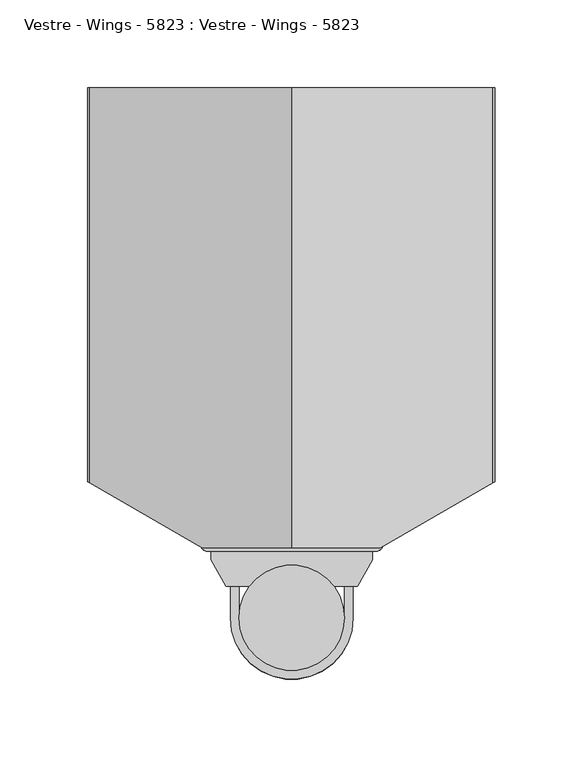
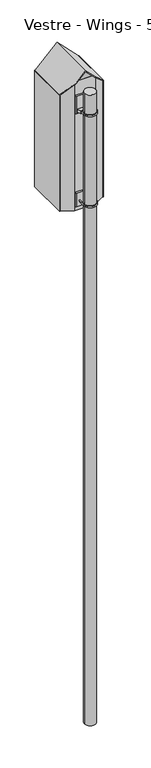
"""IFC4 building model written with IfcOpenShell, lengths in millimetres: furniture geometry, Vestre - Wings - 5823 : Vestre - Wings - 5823."""

from ifc_helpers import new_model, si_unit, point, frame, frame_2d, origin, origin_2d, place, context, project, spatial, polyline, circle_curve, ellipse_curve, trimmed, segment, composite_curve, outline, extrude, faceted_brep, source, transform, mapped, element, save
from ifc_brep_helpers import plane_surface, cylinder_surface, advanced_brep


def vestre_wings_5823_vestre_wings_5823_ff91b567(model_context):
    return source(origin(), model_context, "Body", "SolidModel", [
        extrude(outline(composite_curve([segment(polyline([(30.0, 0.0), (30.0, 37.9679492), (35.0, 37.9679492), (35.0, 0.0)]), True, "CONTINUOUS"), segment(trimmed(circle_curve(origin_2d(), 35.0), [point((35.0, 0.0))], [point((-35.0, 0.0))], False, "CARTESIAN"), True, "CONTINUOUS"), segment(polyline([(-35.0, 0.0), (-35.0, 37.9679492), (-30.0, 37.9679492), (-30.0, 0.0)]), True, "CONTINUOUS"), segment(trimmed(circle_curve(origin_2d(), 30.0), [point((-30.0, 0.0))], [point((30.0, 0.0))], True, "CARTESIAN"), True, "CONTINUOUS")], self_intersect=False)), frame((0.0, 0.0, 2378.1092537), z_axis=(0.0, 0.0, 1.0), x_axis=(1.0, 0.0, 0.0)), (0.0, 0.0, 1.0), 7.9898167),
        extrude(outline(composite_curve([segment(polyline([(48.0, 37.9679492), (-48.0, 37.9679492)]), True, "CONTINUOUS"), segment(trimmed(circle_curve(frame_2d((-48.0, 41.9679492)), 4.0), [point((-48.0, 37.9679492))], [point((-52.0, 41.9679492))], False, "CARTESIAN"), True, "CONTINUOUS"), segment(polyline([(-52.0, 41.9679492), (-52.0, 47.0), (52.0, 47.0), (52.0, 41.9679492)]), True, "CONTINUOUS"), segment(trimmed(circle_curve(frame_2d((48.0, 41.9679492)), 4.0), [point((52.0, 41.9679492))], [point((48.0, 37.9679492))], False, "CARTESIAN"), True, "CONTINUOUS")], self_intersect=False)), frame((0.0, 0.0, 2352.6096834), z_axis=(0.0, 0.0, 1.0), x_axis=(1.0, 0.0, 0.0)), (0.0, 0.0, 1.0), 77.0),
        extrude(outline(composite_curve([segment(polyline([(-37.4575131, 17.9679492), (-46.0, 32.9679492), (-46.0, 37.9679492), (46.0, 37.9679492), (46.0, 32.9679492), (37.4575131, 17.9679492), (24.0240047, 17.9679492)]), True, "CONTINUOUS"), segment(trimmed(circle_curve(origin_2d(), 30.0), [point((24.0240047, 17.9679492))], [point((-24.0240047, 17.9679492))], True, "CARTESIAN"), True, "CONTINUOUS"), segment(polyline([(-24.0240047, 17.9679492), (-37.4575131, 17.9679492)]), True, "CONTINUOUS")], self_intersect=False)), frame((0.0, 0.0, 2879.1096834), z_axis=(0.0, 0.0, 1.0), x_axis=(1.0, 0.0, 0.0)), (0.0, 0.0, 1.0), 16.0),
        extrude(outline(composite_curve([segment(polyline([(30.0, 0.0), (30.0, 37.9679492), (35.0, 37.9679492), (35.0, 0.0)]), True, "CONTINUOUS"), segment(trimmed(circle_curve(origin_2d(), 35.0), [point((35.0, 0.0))], [point((-35.0, 0.0))], False, "CARTESIAN"), True, "CONTINUOUS"), segment(polyline([(-35.0, 0.0), (-35.0, 37.9679492), (-30.0, 37.9679492), (-30.0, 0.0)]), True, "CONTINUOUS"), segment(trimmed(circle_curve(origin_2d(), 30.0), [point((-30.0, 0.0))], [point((30.0, 0.0))], True, "CARTESIAN"), True, "CONTINUOUS")], self_intersect=False)), frame((0.0, 0.0, 2883.1092537), z_axis=(0.0, 0.0, 1.0), x_axis=(1.0, 0.0, 0.0)), (0.0, 0.0, 1.0), 7.9898167),
        extrude(outline(composite_curve([segment(polyline([(48.0, 37.9679492), (-48.0, 37.9679492)]), True, "CONTINUOUS"), segment(trimmed(circle_curve(frame_2d((-48.0, 41.9679492)), 4.0), [point((-48.0, 37.9679492))], [point((-52.0, 41.9679492))], False, "CARTESIAN"), True, "CONTINUOUS"), segment(polyline([(-52.0, 41.9679492), (-52.0, 47.0), (52.0, 47.0), (52.0, 41.9679492)]), True, "CONTINUOUS"), segment(trimmed(circle_curve(frame_2d((48.0, 41.9679492)), 4.0), [point((52.0, 41.9679492))], [point((48.0, 37.9679492))], False, "CARTESIAN"), True, "CONTINUOUS")], self_intersect=False)), frame((0.0, 0.0, 2870.6096834), z_axis=(0.0, 0.0, 1.0), x_axis=(1.0, 0.0, 0.0)), (0.0, 0.0, 1.0), 96.5005892),
        advanced_brep(
        [(-0.2473575, 40.0, 3089.8797257), (-51.1269898, 40.0, 3039.0000934), (-51.1269898, 40.0, 3034.7574528), (-0.2473575, 40.0, 3085.637085), (50.6322747, 40.0, 3034.7574528), (50.6322747, 40.0, 3039.0000934), (-0.2473575, 302.0, 3089.8797257), (114.7181546, 302.0, 2974.9142136), (115.8897275, 302.0, 2972.0857864), (115.8897275, 302.0, 2327.5), (112.8897275, 302.0, 2327.5), (112.8897275, 302.0, 2972.5), (-0.2473575, 302.0, 3085.637085), (-113.3844425, 302.0, 2972.5), (-113.3844425, 302.0, 2327.5), (-116.3844425, 302.0, 2327.5), (-116.3844425, 302.0, 2972.0857864), (-115.2128696, 302.0, 2974.9142136), (-115.2128696, 77.0, 2974.9142136), (-116.3844425, 77.6764079, 2972.0857864), (-116.3844425, 77.6764079, 2327.5), (-113.3844425, 75.9443571, 2327.5), (-113.3844425, 75.9443571, 2972.5), (112.8897275, 75.9443571, 2972.5), (112.8897275, 75.9443571, 2327.5), (115.8897275, 77.6764079, 2327.5), (115.8897275, 77.6764079, 2972.0857864), (114.7181546, 77.0, 2974.9142136)],
        [
            (0, 1),
            (1, 2),
            (2, 3),
            (3, 4),
            (4, 5),
            (5, 0),
            (6, 7),
            (7, 8, circle_curve(frame((111.8897275, 302.0, 2972.0857864), z_axis=(0.0, 1.0, 0.0), x_axis=(-1.0, 0.0, 0.0)), 4.0)),
            (8, 9),
            (9, 10),
            (10, 11),
            (11, 12),
            (12, 13),
            (13, 14),
            (14, 15),
            (15, 16),
            (16, 17, circle_curve(frame((-112.3844425, 302.0, 2972.0857864), z_axis=(0.0, 1.0, 0.0), x_axis=(-1.0, 0.0, 0.0)), 4.0)),
            (17, 6),
            (17, 18),
            (18, 1),
            (0, 6),
            (16, 19),
            (19, 18, ellipse_curve(frame((-112.3844425, 75.3670068, 2972.0857864), z_axis=(0.500000000000003, 0.866025403784437, 0.0), x_axis=(0.8660254037844373, -0.5000000000000027, 0.0)), 4.6188022, 4.0)),
            (15, 20),
            (20, 19),
            (14, 21),
            (21, 20),
            (13, 22),
            (22, 21),
            (12, 3),
            (2, 22),
            (11, 23),
            (23, 4),
            (10, 24),
            (24, 23),
            (9, 25),
            (25, 24),
            (8, 26),
            (26, 25),
            (7, 27),
            (27, 26, ellipse_curve(frame((111.8897275, 75.3670068, 2972.0857864), z_axis=(-0.5000000000000038, 0.8660254037844366, 0.0), x_axis=(-0.8660254037844368, -0.5000000000000034, 0.0)), 4.6188022, 4.0)),
            (5, 27),
        ],
        [
            plane_surface(frame((-115.2128696, 40.0, 2974.9142136), z_axis=(0.0, -1.0, 0.0), x_axis=(-0.7071067811865452, 0.0, -0.7071067811865499))),
            plane_surface(frame((-115.2128696, 302.0, 2974.9142136), z_axis=(0.0, 1.0, 0.0), x_axis=(0.7071067811865452, 0.0, 0.7071067811865499))),
            plane_surface(frame((-0.2473575, 40.0, 3089.8797257), z_axis=(-0.7071067811865499, 0.0, 0.7071067811865452), x_axis=(0.0, 1.0, 0.0))),
            cylinder_surface(frame((-112.3844425, 302.0, 2972.0857864), z_axis=(0.0, -1.0, 0.0), x_axis=(-1.0, 0.0, 0.0)), 4.0),
            plane_surface(frame((-116.3844425, 40.0, 2972.0857864), z_axis=(-1.0, 0.0, 0.0), x_axis=(0.0, 1.0, 0.0))),
            plane_surface(frame((-116.3844425, 40.0, 2327.5), z_axis=(0.0, 0.0, -1.0), x_axis=(0.0, 1.0, 0.0))),
            plane_surface(frame((-113.3844425, 40.0, 2327.5), z_axis=(1.0, 0.0, 0.0), x_axis=(0.0, 1.0, 0.0))),
            plane_surface(frame((-113.3844425, 40.0, 2972.5), z_axis=(0.7071067811865509, 0.0, -0.7071067811865441), x_axis=(0.0, 1.0, 0.0))),
            plane_surface(frame((-0.2473575, 40.0, 3085.637085), z_axis=(-0.7071067811865498, 0.0, -0.7071067811865455), x_axis=(0.0, 1.0, 0.0))),
            plane_surface(frame((112.8897275, 40.0, 2972.5), z_axis=(-1.0, 0.0, 0.0), x_axis=(0.0, 1.0, 0.0))),
            plane_surface(frame((112.8897275, 40.0, 2327.5), z_axis=(0.0, 0.0, -1.0), x_axis=(0.0, 1.0, 0.0))),
            plane_surface(frame((115.8897275, 40.0, 2327.5), z_axis=(1.0, 0.0, 0.0), x_axis=(0.0, 1.0, 0.0))),
            cylinder_surface(frame((111.8897275, 302.0, 2972.0857864), z_axis=(0.0, -1.0, 0.0), x_axis=(-1.0, 0.0, 0.0)), 4.0),
            plane_surface(frame((114.7181546, 40.0, 2974.9142136), z_axis=(0.7071067811865503, 0.0, 0.7071067811865448), x_axis=(0.0, 1.0, 0.0))),
            plane_surface(frame((-51.1269898, 40.0, 3124.29217), z_axis=(-0.500000000000003, -0.866025403784437, 0.0), x_axis=(0.0, 0.0, -1.0))),
            plane_surface(frame((118.7797193, 79.3449455, 3124.29217), z_axis=(0.5000000000000038, -0.8660254037844366, 0.0), x_axis=(0.0, 0.0, -1.0))),
        ],
        [
            (0, [[1, 2, 3, 4, 5, 6]]),
            (1, [[7, 8, 9, 10, 11, 12, 13, 14, 15, 16, 17, 18]]),
            (2, [[-18, 19, 20, -1, 21]]),
            (3, [[-17, 22, 23, -19]]),
            (4, [[-16, 24, 25, -22]]),
            (5, [[-15, 26, 27, -24]]),
            (6, [[-14, 28, 29, -26]]),
            (7, [[-13, 30, -3, 31, -28]]),
            (8, [[-12, 32, 33, -4, -30]]),
            (9, [[-11, 34, 35, -32]]),
            (10, [[-10, 36, 37, -34]]),
            (11, [[-9, 38, 39, -36]]),
            (12, [[-8, 40, 41, -38]]),
            (13, [[-7, -21, -6, 42, -40]]),
            (14, [[-2, -20, -23, -25, -27, -29, -31]]),
            (15, [[-5, -33, -35, -37, -39, -41, -42]]),
        ],
    ),
        faceted_brep([(-43.3844425, 47.0, 3042.5), (42.8897275, 47.0, 3042.5), (42.8897275, 50.0, 3042.5), (-43.3844425, 50.0, 3042.5), (-113.3844425, 80.8215223, 2327.5), (-113.3844425, 100.2679492, 2327.5), (-109.8897275, 100.2679492, 2327.5), (-109.8897275, 82.2679492, 2327.5), (-54.0, 50.0, 2327.5), (54.0, 50.0, 2327.5), (109.8897275, 82.2679492, 2327.5), (109.8897275, 100.2679492, 2327.5), (112.8897275, 100.2679492, 2327.5), (112.8897275, 80.5358984, 2327.5), (54.8038476, 47.0, 2327.5), (-54.8038476, 47.0, 2327.5), (-54.8038476, 47.0, 3031.0805949), (-113.3844425, 80.8215223, 2972.5), (54.8038476, 47.0, 3030.5858799), (112.8897275, 80.5358984, 2972.5), (112.8897275, 100.2679492, 2972.5), (109.8897275, 100.2679492, 2975.5), (109.8897275, 82.2679492, 2975.5), (54.0, 50.0, 3031.3897275), (-54.0, 50.0, 3031.8844425), (-109.8897275, 82.2679492, 2975.9947151), (-109.8897275, 100.2679492, 2975.9947151), (-113.3844425, 100.2679492, 2972.5)], [[[0, 1, 2, 3]], [[4, 5, 6, 7, 8, 9, 10, 11, 12, 13, 14, 15]], [[4, 15, 16, 17]], [[15, 14, 18, 1, 0, 16]], [[14, 13, 19, 18]], [[13, 12, 20, 19]], [[12, 11, 21, 20]], [[11, 10, 22, 21]], [[10, 9, 23, 22]], [[9, 8, 24, 3, 2, 23]], [[8, 7, 25, 24]], [[7, 6, 26, 25]], [[6, 5, 27, 26]], [[5, 4, 17, 27]], [[0, 3, 24, 25, 26, 27, 17, 16]], [[2, 1, 18, 19, 20, 21, 22, 23]]]),
        extrude(outline(composite_curve([segment(polyline([(280.7938524, 2658.6595971), (262.4970795, 2665.3190779)]), True, "CONTINUOUS"), segment(trimmed(circle_curve(frame_2d((261.4710191, 2662.5)), 3.0), [point((262.4970795, 2665.3190779))], [point((261.4710191, 2665.5))], True, "CARTESIAN"), True, "CONTINUOUS"), segment(polyline([(261.4710191, 2665.5), (255.3769496, 2665.5), (255.3769496, 2667.5), (261.9377121, 2667.5)]), True, "CONTINUOUS"), segment(trimmed(circle_curve(frame_2d((261.9377121, 2665.1467479)), 2.3532521), [point((261.9377121, 2667.5))], [point((262.7425717, 2667.3580815))], False, "CARTESIAN"), True, "CONTINUOUS"), segment(polyline([(262.7425717, 2667.3580815), (281.4778927, 2660.5389824), (280.7938524, 2658.6595971)]), True, "CONTINUOUS")], self_intersect=False)), frame((-113.3844425, 0.0, 0.0), z_axis=(1.0, 0.0, 0.0), x_axis=(0.0, 1.0, 0.0)), (0.0, 0.0, 1.0), 226.27417),
        extrude(outline(composite_curve([segment(polyline([(280.7938524, 2958.6595971), (262.4970795, 2965.3190779)]), True, "CONTINUOUS"), segment(trimmed(circle_curve(frame_2d((261.4710191, 2962.5)), 3.0), [point((262.4970795, 2965.3190779))], [point((261.4710191, 2965.5))], True, "CARTESIAN"), True, "CONTINUOUS"), segment(polyline([(261.4710191, 2965.5), (255.3769496, 2965.5), (255.3769496, 2967.5), (261.9377121, 2967.5)]), True, "CONTINUOUS"), segment(trimmed(circle_curve(frame_2d((261.9377121, 2965.1467479)), 2.3532521), [point((261.9377121, 2967.5))], [point((262.7425717, 2967.3580815))], False, "CARTESIAN"), True, "CONTINUOUS"), segment(polyline([(262.7425717, 2967.3580815), (281.4778927, 2960.5389824), (280.7938524, 2958.6595971)]), True, "CONTINUOUS")], self_intersect=False)), frame((-113.3844425, 0.0, 0.0), z_axis=(1.0, 0.0, 0.0), x_axis=(0.0, 1.0, 0.0)), (0.0, 0.0, 1.0), 226.27417),
        extrude(outline(composite_curve([segment(trimmed(circle_curve(origin_2d(), 30.0), [point((-30.0, 0.0))], [point((30.0, 0.0))], False, "CARTESIAN"), True, "CONTINUOUS"), segment(trimmed(circle_curve(origin_2d(), 30.0), [point((30.0, 0.0))], [point((-30.0, 0.0))], False, "CARTESIAN"), True, "CONTINUOUS")], self_intersect=False)), frame((0.0, 0.0, -500.0), z_axis=(0.0, 0.0, 1.0), x_axis=(1.0, 0.0, 0.0)), (0.0, 0.0, 1.0), 3500.0),
    ])


if __name__ == "__main__":
    model = new_model("IFC4")
    model_context = context("Model", 3, world=origin())
    ifc_project = project(units=[si_unit("LENGTHUNIT", "METRE", prefix="MILLI")], contexts=[model_context])
    site = spatial("IfcSite", under=ifc_project)
    building = spatial("IfcBuilding", under=site)
    placement = place(None, origin())
    vestre_wings_5823_vestre_wings_5823_shape = vestre_wings_5823_vestre_wings_5823_ff91b567(model_context)
    element("IfcFurniture", 1, ObjectType="Vestre - Wings - 5823 : Vestre - Wings - 5823", at=placement, inside=building, context=model_context, shape_type="MappedRepresentation", body=[
        mapped(vestre_wings_5823_vestre_wings_5823_shape, transform((0.0, 0.0, 0.0), x_axis=(1.0, 0.0, 0.0), y_axis=(0.0, 1.0, 0.0), z_axis=(0.0, 0.0, 1.0))),
    ])
    save(model, "model.ifc")
